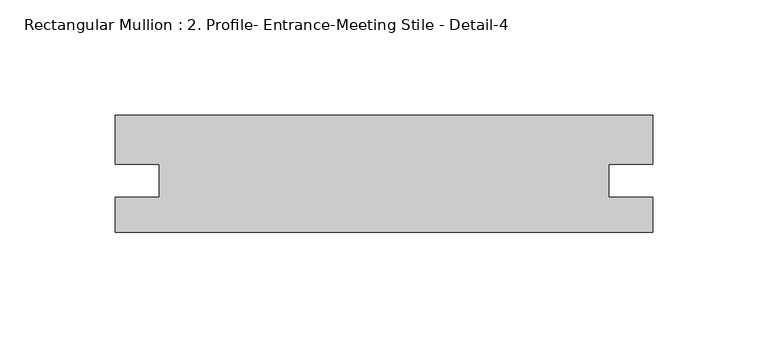
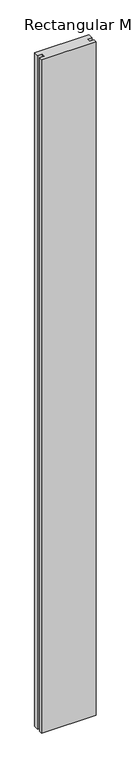
"""IFC4 building model written with IfcOpenShell, lengths in millimetres: member geometry, Rectangular Mullion : 2. Profile- Entrance-Meeting Stile - Detail-4."""

import ifcopenshell
import ifcopenshell.guid

model = None  # the IFC model being written
_history = None  # IfcOwnerHistory: only IFC2X3 demands one
_inside = {}  # id of a spatial element -> (the spatial element, [elements in it])
_under = {}  # id of a project, library or spatial element -> (it, [spatial elements below it])
_declared = {}  # id of a project -> (the project, [libraries it declares])
_typed = {}  # id of a type object -> (the type object, [elements of that type])
_made_of = {}  # id of a material, layer set ... -> (it, [elements and type objects made of it])


def new_model(schema):
    """Start an empty IFC model of exactly this schema.

    Asked for "IFC4X3", IfcOpenShell would pick the latest addendum, in which some entities
    have other attributes; the version numbers below select the first issue.
    IFC2X3 requires an IfcOwnerHistory on every rooted entity: one is made here for all.
    """
    global model, _history
    if schema == "IFC4X3":
        model = ifcopenshell.file(schema_version=(4, 3, 0, 0))
    else:
        model = ifcopenshell.file(schema=schema)
    _inside.clear()
    _under.clear()
    _declared.clear()
    _typed.clear()
    _made_of.clear()
    _history = None
    if model.schema == "IFC2X3":
        org = make("IfcOrganization", Name="unknown")
        user = make(
            "IfcPersonAndOrganization",
            ThePerson=make("IfcPerson", FamilyName="unknown"),
            TheOrganization=org,
        )
        app = make(
            "IfcApplication",
            ApplicationDeveloper=org,
            Version="unknown",
            ApplicationFullName="unknown",
            ApplicationIdentifier="unknown",
        )
        _history = make(
            "IfcOwnerHistory",
            OwningUser=user,
            OwningApplication=app,
            ChangeAction="ADDED",
            CreationDate=0,
        )
    return model


def make(cls, **values):
    """One entity of the class cls with the attributes given. An attribute that is None is left unset."""
    return model.create_entity(
        cls, **{name: value for name, value in values.items() if value is not None}
    )


def rooted(cls, **values):
    """An entity with a GlobalId (a new one), such as an element, a storey or a relation."""
    return make(cls, GlobalId=ifcopenshell.guid.new(), OwnerHistory=_history, **values)


def si_unit(unit_type, name, prefix=None):
    """IfcSIUnit, for example si_unit("LENGTHUNIT", "METRE", prefix="MILLI")."""
    return make("IfcSIUnit", UnitType=unit_type, Prefix=prefix, Name=name)


def assignment(units):
    """IfcUnitAssignment: the units of a project."""
    return None if units is None else make("IfcUnitAssignment", Units=units)


def point(xyz):
    """IfcCartesianPoint."""
    return None if xyz is None else make("IfcCartesianPoint", Coordinates=xyz)


def direction(xyz):
    """IfcDirection."""
    return None if xyz is None else make("IfcDirection", DirectionRatios=xyz)


def frame(location, z_axis=None, x_axis=None):
    """IfcAxis2Placement3D, a coordinate frame: its origin and axes. An axis left out is left unset."""
    return make(
        "IfcAxis2Placement3D",
        Location=point(location),
        Axis=direction(z_axis),
        RefDirection=direction(x_axis),
    )


def origin():
    """The frame at (0, 0, 0) with its axes left unset."""
    return frame((0.0, 0.0, 0.0))


def place(relative_to, where):
    """IfcLocalPlacement: puts the frame where relative to a parent placement (None: the world)."""
    return make(
        "IfcLocalPlacement", PlacementRelTo=relative_to, RelativePlacement=where
    )


def context(
    kind, dimensions, precision=None, world=None, true_north=None, identifier=None
):
    """IfcGeometricRepresentationContext, for example the 3D "Model" context."""
    return make(
        "IfcGeometricRepresentationContext",
        ContextIdentifier=identifier,
        ContextType=kind,
        CoordinateSpaceDimension=dimensions,
        Precision=precision,
        WorldCoordinateSystem=world,
        TrueNorth=true_north,
    )


def project(units=None, contexts=None):
    """IfcProject with its units and contexts."""
    return rooted(
        "IfcProject",
        Name="project",
        RepresentationContexts=contexts,
        UnitsInContext=assignment(units),
    )


def spatial(cls, under=None, at=None, **own):
    """A site, building, storey or space (cls), placed at a placement, below another one or the project."""
    s = rooted(cls, ObjectPlacement=at, **own)
    if under is not None:
        _under.setdefault(under.id(), (under, []))[1].append(s)
    return s


def polyline(points):
    """IfcPolyline through the points."""
    return make("IfcPolyline", Points=[point(p) for p in points])


def outline(outer, holes=None, kind="AREA"):
    """IfcArbitraryClosedProfileDef: a profile drawn as a closed curve; with holes, ...WithVoids."""
    if holes is None:
        return make("IfcArbitraryClosedProfileDef", ProfileType=kind, OuterCurve=outer)
    return make(
        "IfcArbitraryProfileDefWithVoids",
        ProfileType=kind,
        OuterCurve=outer,
        InnerCurves=holes,
    )


def extrude(swept, where, along, depth):
    """IfcExtrudedAreaSolid: the profile swept, set in the frame where, extruded along a direction by depth."""
    return make(
        "IfcExtrudedAreaSolid",
        SweptArea=swept,
        Position=where,
        ExtrudedDirection=direction(along),
        Depth=depth,
    )


def shape(context_of_items, identifier, shape_type, items):
    """IfcShapeRepresentation: the items that make up one representation, for example the "Body"."""
    return make(
        "IfcShapeRepresentation",
        ContextOfItems=context_of_items,
        RepresentationIdentifier=identifier,
        RepresentationType=shape_type,
        Items=items,
    )


def source(mapping_origin, context_of_items, identifier, shape_type, items):
    """IfcRepresentationMap: a shape defined once, which mapped items show again and again."""
    return make(
        "IfcRepresentationMap",
        MappingOrigin=mapping_origin,
        MappedRepresentation=shape(context_of_items, identifier, shape_type, items),
    )


def transform(
    local_origin,
    x_axis=None,
    y_axis=None,
    z_axis=None,
    scale=None,
    scale2=None,
    scale3=None,
    uniform=True,
):
    """IfcCartesianTransformationOperator3D, or its non-uniform kind. x_axis, y_axis, z_axis: its Axis1, 2, 3."""
    if uniform:
        return make(
            "IfcCartesianTransformationOperator3D",
            Axis1=direction(x_axis),
            Axis2=direction(y_axis),
            LocalOrigin=point(local_origin),
            Scale=scale,
            Axis3=direction(z_axis),
        )
    return make(
        "IfcCartesianTransformationOperator3DnonUniform",
        Axis1=direction(x_axis),
        Axis2=direction(y_axis),
        LocalOrigin=point(local_origin),
        Scale=scale,
        Axis3=direction(z_axis),
        Scale2=scale2,
        Scale3=scale3,
    )


def mapped(mapping_source, mapping_target):
    """IfcMappedItem: shows the shape of a source again, moved by a transform."""
    return make(
        "IfcMappedItem", MappingSource=mapping_source, MappingTarget=mapping_target
    )


def made_of(thing, what):
    """Note that an element or type object is made of a material, layer set ...; save() writes the relation."""
    if what is not None:
        _made_of.setdefault(what.id(), (what, []))[1].append(thing)
    return thing


def element(
    cls,
    number,
    at=None,
    inside=None,
    cuts=None,
    type_object=None,
    material=None,
    context=None,
    identifier="Body",
    shape_type=None,
    held_by="IfcProductDefinitionShape",
    body=None,
    shapes=None,
    **own,
):
    """One element of the class cls, such as IfcWall. Its Tag is "e" and its number.

    at: its placement. inside: the storey or other place that contains it. cuts: it is an
    opening in that element (IfcRelVoidsElement). A single representation is given by context,
    identifier, shape_type and body (its items); several are given by shapes. held_by: the class
    of the entity that holds the representations. save() writes the other relations.
    """
    e = rooted(cls, Tag="e%d" % number, ObjectPlacement=at, **own)
    if body is not None:
        shapes = [shape(context, identifier, shape_type, body)]
    if shapes is not None:
        e.Representation = make(held_by, Representations=shapes)
    if inside is not None:
        _inside.setdefault(inside.id(), (inside, []))[1].append(e)
    if cuts is not None:
        rooted(
            "IfcRelVoidsElement", RelatingBuildingElement=cuts, RelatedOpeningElement=e
        )
    if type_object is not None:
        _typed.setdefault(type_object.id(), (type_object, []))[1].append(e)
    return made_of(e, material)


def aggregate(whole, parts):
    """IfcRelAggregates: a whole, such as a stair, and the parts it consists of."""
    return rooted("IfcRelAggregates", RelatingObject=whole, RelatedObjects=parts)


def save(model, path):
    """Write the relations noted so far, then the file.

    IfcRelAggregates (storeys below a building ...), IfcRelContainedInSpatialStructure (elements
    in a storey), IfcRelDefinesByType, IfcRelAssociatesMaterial and IfcRelDeclares: one each for
    every whole, place, type object, material and project.
    """
    for whole, parts in _under.values():
        aggregate(whole, parts)
    for where, things in _inside.values():
        rooted(
            "IfcRelContainedInSpatialStructure",
            RelatedElements=things,
            RelatingStructure=where,
        )
    for kind, things in _typed.values():
        rooted("IfcRelDefinesByType", RelatedObjects=things, RelatingType=kind)
    for what, things in _made_of.values():
        rooted("IfcRelAssociatesMaterial", RelatedObjects=things, RelatingMaterial=what)
    for by, libraries in _declared.values():
        rooted("IfcRelDeclares", RelatingContext=by, RelatedDefinitions=libraries)
    model.write(path)


def rectangular_mullion_2_profile_entrance_meeting_stile_detail_a23abd3e(model_context):
    return source(origin(), model_context, "Body", "SweptSolid", [
        extrude(outline(polyline([(0.0, -50.8), (-233.3481209, -50.8), (-233.3481209, -35.70097), (-214.3235209, -35.70097), (-214.3235209, -21.38807), (-233.3481196, -21.38807), (-233.3481196, 0.0), (-1.3e-06, 0.0), (-1.3e-06, -21.3880766), (-19.0246, -21.3880766), (-19.0246, -35.70097), (0.0, -35.70097), (0.0, -50.8)])), frame((0.0, 0.0, -3048.0), z_axis=(0.0, 0.0, 1.0), x_axis=(1.0, 0.0, 0.0)), (0.0, 0.0, 1.0), 3048.0),
    ])


if __name__ == "__main__":
    model = new_model("IFC4")
    model_context = context("Model", 3, world=origin())
    ifc_project = project(units=[si_unit("LENGTHUNIT", "METRE", prefix="MILLI")], contexts=[model_context])
    site = spatial("IfcSite", under=ifc_project)
    building = spatial("IfcBuilding", under=site)
    placement = place(None, origin())
    rectangular_mullion_2_profile_entrance_meeting_stile_detail_shape = rectangular_mullion_2_profile_entrance_meeting_stile_detail_a23abd3e(model_context)
    element("IfcMember", 1, ObjectType="Rectangular Mullion : 2. Profile- Entrance-Meeting Stile - Detail-4", at=placement, inside=building, context=model_context, shape_type="MappedRepresentation", body=[
        mapped(rectangular_mullion_2_profile_entrance_meeting_stile_detail_shape, transform((0.0, 0.0, 0.0), x_axis=(1.0, 0.0, 0.0), y_axis=(0.0, 1.0, 0.0), z_axis=(0.0, 0.0, 1.0))),
    ])
    save(model, "model.ifc")
